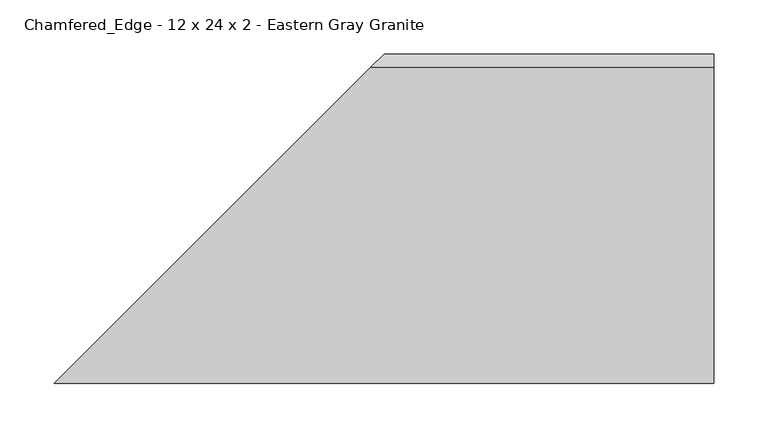
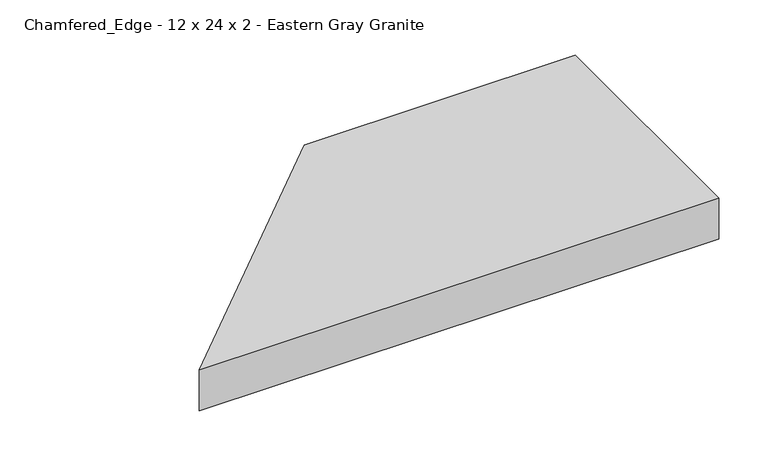
"""IFC4 building model written with IfcOpenShell, lengths in millimetres: proxy geometry, Chamfered_Edge - 12 x 24 x 2 - Eastern Gray Granite."""

from ifc_helpers import new_model, si_unit, origin, place, context, project, spatial, faceted_brep, source, transform, mapped, element, save


def chamfered_edge_12_x_24_x_2_eastern_gray_granite_7b6beced(model_context):
    return source(origin(), model_context, "Body", "Brep", [
        faceted_brep([(609.6, 304.8, 0.0), (609.6, 304.8, 38.1), (609.6, 292.1, 50.8), (609.6, 0.0, 50.8), (609.6, 0.0, 0.0), (292.1, 292.1, 50.8), (0.0, 0.0, 50.8), (0.0, 0.0, 0.0), (304.8, 304.8, 0.0), (304.8, 304.8, 38.1)], [[[0, 1, 2, 3, 4]], [[2, 5, 6, 3]], [[3, 6, 7, 4]], [[4, 7, 8, 0]], [[0, 8, 9, 1]], [[1, 9, 5, 2]], [[5, 9, 8, 7, 6]]]),
    ])


if __name__ == "__main__":
    model = new_model("IFC4")
    model_context = context("Model", 3, world=origin())
    ifc_project = project(units=[si_unit("LENGTHUNIT", "METRE", prefix="MILLI")], contexts=[model_context])
    site = spatial("IfcSite", under=ifc_project)
    building = spatial("IfcBuilding", under=site)
    placement = place(None, origin())
    chamfered_edge_12_x_24_x_2_eastern_gray_granite_shape = chamfered_edge_12_x_24_x_2_eastern_gray_granite_7b6beced(model_context)
    element("IfcBuildingElementProxy", 1, Name="Chamfered_Edge - 12 x 24 x 2 - Eastern Gray Granite", ObjectType="Chamfered_Edge - 12 x 24 x 2 - Eastern Gray Granite", at=placement, inside=building, context=model_context, shape_type="MappedRepresentation", body=[
        mapped(chamfered_edge_12_x_24_x_2_eastern_gray_granite_shape, transform((0.0, 0.0, 0.0), x_axis=(1.0, 0.0, 0.0), y_axis=(0.0, 1.0, 0.0), z_axis=(0.0, 0.0, 1.0))),
    ])
    save(model, "model.ifc")
